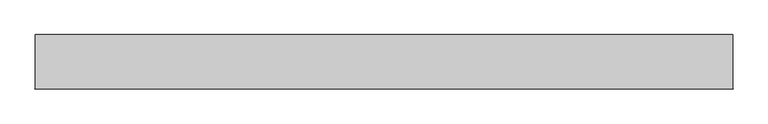
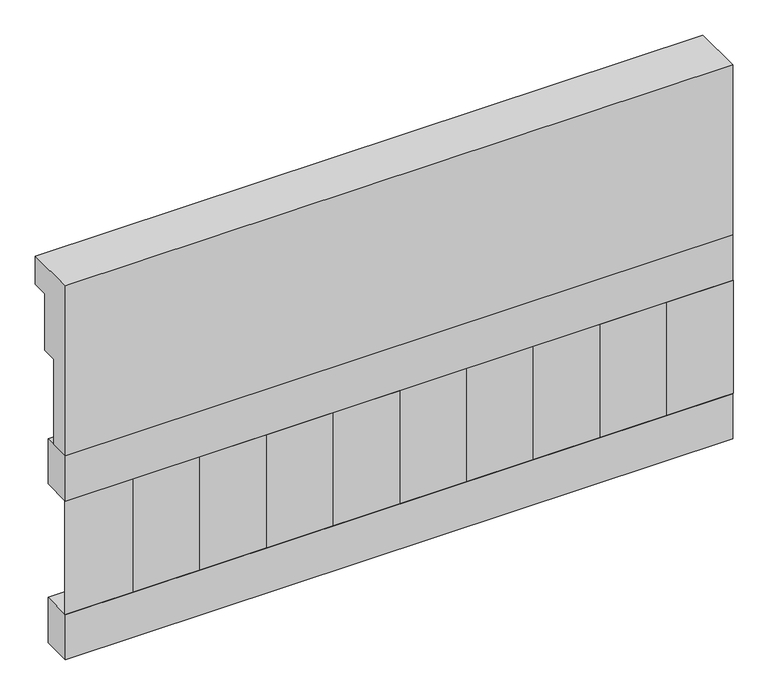
"""IFC4 building model written with IfcOpenShell, lengths in millimetres: railing geometry."""

from ifc_helpers import new_model, si_unit, frame, origin, place, context, project, spatial, polyline, outline, extrude, source, transform, mapped, element, save


def railing_afe161f4(model_context):
    return source(origin(), model_context, "Body", "SweptSolid", [
        extrude(outline(polyline([(903.1079487, 28400.0), (1033.1079487, 28400.0), (1033.1079487, 28325.0), (993.1079487, 28325.0), (993.1079487, 28175.0), (953.1079487, 28175.0), (953.1079487, 27950.0), (903.1079487, 27950.0), (903.1079487, 28400.0)])), frame((-33139.9887159, 0.0, 0.0), z_axis=(1.0, 0.0, 0.0), x_axis=(0.0, 1.0, 0.0)), (0.0, 0.0, 1.0), 1670.0),
        extrude(outline(polyline([(-31469.9887159, 978.1079487), (-31469.9887159, 903.1079487), (-33139.9887159, 903.1079487), (-33139.9887159, 978.1079487), (-31469.9887159, 978.1079487)])), frame((0.0, 0.0, 27830.0), z_axis=(0.0, 0.0, 1.0), x_axis=(1.0, 0.0, 0.0)), (0.0, 0.0, 1.0), 120.0),
        extrude(outline(polyline([(-31469.9887159, 978.1079487), (-31469.9887159, 903.1079487), (-33139.9887159, 903.1079487), (-33139.9887159, 978.1079487), (-31469.9887159, 978.1079487)])), frame((0.0, 0.0, 27410.0), z_axis=(0.0, 0.0, 1.0), x_axis=(1.0, 0.0, 0.0)), (0.0, 0.0, 1.0), 120.0),
        extrude(outline(polyline([(-33056.4887159, 987.9607624), (-32971.6359022, 903.1079487), (-33141.3415296, 903.1079487), (-33056.4887159, 987.9607624)])), frame((0.0, 0.0, 27530.0), z_axis=(0.0, 0.0, 1.0), x_axis=(1.0, 0.0, 0.0)), (0.0, 0.0, 1.0), 300.0),
        extrude(outline(polyline([(-32889.4887159, 987.9607624), (-32804.6359022, 903.1079487), (-32974.3415296, 903.1079487), (-32889.4887159, 987.9607624)])), frame((0.0, 0.0, 27530.0), z_axis=(0.0, 0.0, 1.0), x_axis=(1.0, 0.0, 0.0)), (0.0, 0.0, 1.0), 300.0),
        extrude(outline(polyline([(-32722.4887159, 987.9607624), (-32637.6359022, 903.1079487), (-32807.3415296, 903.1079487), (-32722.4887159, 987.9607624)])), frame((0.0, 0.0, 27530.0), z_axis=(0.0, 0.0, 1.0), x_axis=(1.0, 0.0, 0.0)), (0.0, 0.0, 1.0), 300.0),
        extrude(outline(polyline([(-32555.4887159, 987.9607624), (-32470.6359022, 903.1079487), (-32640.3415296, 903.1079487), (-32555.4887159, 987.9607624)])), frame((0.0, 0.0, 27530.0), z_axis=(0.0, 0.0, 1.0), x_axis=(1.0, 0.0, 0.0)), (0.0, 0.0, 1.0), 300.0),
        extrude(outline(polyline([(-32388.4887159, 987.9607624), (-32303.6359022, 903.1079487), (-32473.3415296, 903.1079487), (-32388.4887159, 987.9607624)])), frame((0.0, 0.0, 27530.0), z_axis=(0.0, 0.0, 1.0), x_axis=(1.0, 0.0, 0.0)), (0.0, 0.0, 1.0), 300.0),
        extrude(outline(polyline([(-32221.4887159, 987.9607624), (-32136.6359022, 903.1079487), (-32306.3415296, 903.1079487), (-32221.4887159, 987.9607624)])), frame((0.0, 0.0, 27530.0), z_axis=(0.0, 0.0, 1.0), x_axis=(1.0, 0.0, 0.0)), (0.0, 0.0, 1.0), 300.0),
        extrude(outline(polyline([(-32054.4887159, 987.9607624), (-31969.6359022, 903.1079487), (-32139.3415296, 903.1079487), (-32054.4887159, 987.9607624)])), frame((0.0, 0.0, 27530.0), z_axis=(0.0, 0.0, 1.0), x_axis=(1.0, 0.0, 0.0)), (0.0, 0.0, 1.0), 300.0),
        extrude(outline(polyline([(-31887.4887159, 987.9607624), (-31802.6359022, 903.1079487), (-31972.3415296, 903.1079487), (-31887.4887159, 987.9607624)])), frame((0.0, 0.0, 27530.0), z_axis=(0.0, 0.0, 1.0), x_axis=(1.0, 0.0, 0.0)), (0.0, 0.0, 1.0), 300.0),
        extrude(outline(polyline([(-31720.4887159, 987.9607624), (-31635.6359022, 903.1079487), (-31805.3415296, 903.1079487), (-31720.4887159, 987.9607624)])), frame((0.0, 0.0, 27530.0), z_axis=(0.0, 0.0, 1.0), x_axis=(1.0, 0.0, 0.0)), (0.0, 0.0, 1.0), 300.0),
        extrude(outline(polyline([(-31553.4887159, 987.9607624), (-31468.6359022, 903.1079487), (-31638.3415296, 903.1079487), (-31553.4887159, 987.9607624)])), frame((0.0, 0.0, 27530.0), z_axis=(0.0, 0.0, 1.0), x_axis=(1.0, 0.0, 0.0)), (0.0, 0.0, 1.0), 300.0),
    ])


if __name__ == "__main__":
    model = new_model("IFC4")
    model_context = context("Model", 3, world=origin())
    ifc_project = project(units=[si_unit("LENGTHUNIT", "METRE", prefix="MILLI")], contexts=[model_context])
    site = spatial("IfcSite", under=ifc_project)
    building = spatial("IfcBuilding", under=site)
    placement = place(None, origin())
    railing_shape = railing_afe161f4(model_context)
    element("IfcRailing", 1, at=placement, inside=building, context=model_context, shape_type="MappedRepresentation", body=[
        mapped(railing_shape, transform((0.0, 0.0, 0.0), x_axis=(1.0, 0.0, 0.0), y_axis=(0.0, 1.0, 0.0), z_axis=(0.0, 0.0, 1.0))),
    ])
    save(model, "model.ifc")
